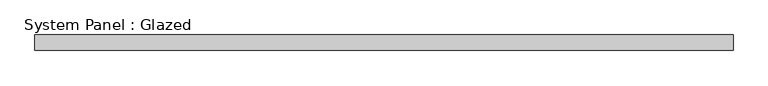
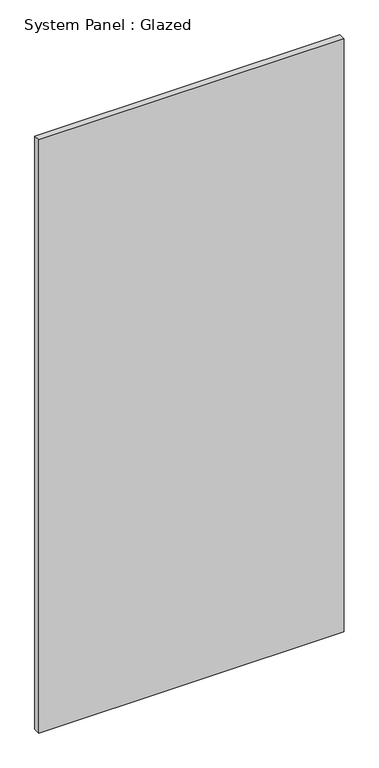
"""IFC4 building model written with IfcOpenShell, lengths in millimetres: plate geometry, System Panel : Glazed."""

from ifc_helpers import new_model, si_unit, origin, origin_with_axes, place, context, project, spatial, polyline, outline, extrude, source, transform, mapped, element, save


def system_panel_glazed_a9ed8c2d(model_context):
    return source(origin(), model_context, "Body", "SweptSolid", [
        extrude(outline(polyline([(570.309375, -44.45), (-570.309375, -44.45), (-570.309375, -19.05), (570.309375, -19.05), (570.309375, -44.45)])), origin_with_axes(), (0.0, 0.0, 1.0), 2343.15),
    ])


if __name__ == "__main__":
    model = new_model("IFC4")
    model_context = context("Model", 3, world=origin())
    ifc_project = project(units=[si_unit("LENGTHUNIT", "METRE", prefix="MILLI")], contexts=[model_context])
    site = spatial("IfcSite", under=ifc_project)
    building = spatial("IfcBuilding", under=site)
    placement = place(None, origin())
    system_panel_glazed_shape = system_panel_glazed_a9ed8c2d(model_context)
    element("IfcPlate", 1, ObjectType="System Panel : Glazed", at=placement, inside=building, context=model_context, shape_type="MappedRepresentation", body=[
        mapped(system_panel_glazed_shape, transform((0.0, 0.0, 0.0), x_axis=(1.0, 0.0, 0.0), y_axis=(0.0, 1.0, 0.0), z_axis=(0.0, 0.0, 1.0))),
    ])
    save(model, "model.ifc")
